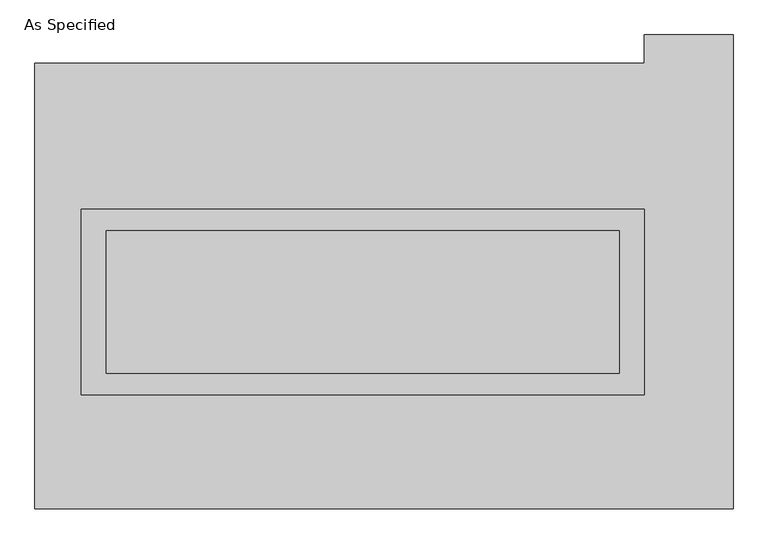
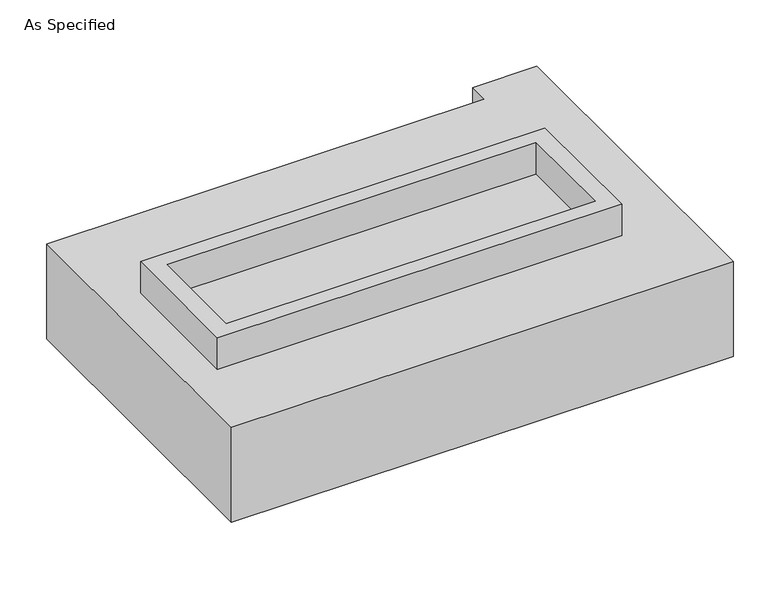
"""IFC4 building model written with IfcOpenShell, lengths in millimetres: proxy geometry, As Specified."""

import ifcopenshell
import ifcopenshell.guid

model = None  # the IFC model being written
_history = None  # IfcOwnerHistory: only IFC2X3 demands one
_inside = {}  # id of a spatial element -> (the spatial element, [elements in it])
_under = {}  # id of a project, library or spatial element -> (it, [spatial elements below it])
_declared = {}  # id of a project -> (the project, [libraries it declares])
_typed = {}  # id of a type object -> (the type object, [elements of that type])
_made_of = {}  # id of a material, layer set ... -> (it, [elements and type objects made of it])


def new_model(schema):
    """Start an empty IFC model of exactly this schema.

    Asked for "IFC4X3", IfcOpenShell would pick the latest addendum, in which some entities
    have other attributes; the version numbers below select the first issue.
    IFC2X3 requires an IfcOwnerHistory on every rooted entity: one is made here for all.
    """
    global model, _history
    if schema == "IFC4X3":
        model = ifcopenshell.file(schema_version=(4, 3, 0, 0))
    else:
        model = ifcopenshell.file(schema=schema)
    _inside.clear()
    _under.clear()
    _declared.clear()
    _typed.clear()
    _made_of.clear()
    _history = None
    if model.schema == "IFC2X3":
        org = make("IfcOrganization", Name="unknown")
        user = make(
            "IfcPersonAndOrganization",
            ThePerson=make("IfcPerson", FamilyName="unknown"),
            TheOrganization=org,
        )
        app = make(
            "IfcApplication",
            ApplicationDeveloper=org,
            Version="unknown",
            ApplicationFullName="unknown",
            ApplicationIdentifier="unknown",
        )
        _history = make(
            "IfcOwnerHistory",
            OwningUser=user,
            OwningApplication=app,
            ChangeAction="ADDED",
            CreationDate=0,
        )
    return model


def make(cls, **values):
    """One entity of the class cls with the attributes given. An attribute that is None is left unset."""
    return model.create_entity(
        cls, **{name: value for name, value in values.items() if value is not None}
    )


def rooted(cls, **values):
    """An entity with a GlobalId (a new one), such as an element, a storey or a relation."""
    return make(cls, GlobalId=ifcopenshell.guid.new(), OwnerHistory=_history, **values)


def si_unit(unit_type, name, prefix=None):
    """IfcSIUnit, for example si_unit("LENGTHUNIT", "METRE", prefix="MILLI")."""
    return make("IfcSIUnit", UnitType=unit_type, Prefix=prefix, Name=name)


def assignment(units):
    """IfcUnitAssignment: the units of a project."""
    return None if units is None else make("IfcUnitAssignment", Units=units)


def point(xyz):
    """IfcCartesianPoint."""
    return None if xyz is None else make("IfcCartesianPoint", Coordinates=xyz)


def direction(xyz):
    """IfcDirection."""
    return None if xyz is None else make("IfcDirection", DirectionRatios=xyz)


def frame(location, z_axis=None, x_axis=None):
    """IfcAxis2Placement3D, a coordinate frame: its origin and axes. An axis left out is left unset."""
    return make(
        "IfcAxis2Placement3D",
        Location=point(location),
        Axis=direction(z_axis),
        RefDirection=direction(x_axis),
    )


def origin():
    """The frame at (0, 0, 0) with its axes left unset."""
    return frame((0.0, 0.0, 0.0))


def place(relative_to, where):
    """IfcLocalPlacement: puts the frame where relative to a parent placement (None: the world)."""
    return make(
        "IfcLocalPlacement", PlacementRelTo=relative_to, RelativePlacement=where
    )


def context(
    kind, dimensions, precision=None, world=None, true_north=None, identifier=None
):
    """IfcGeometricRepresentationContext, for example the 3D "Model" context."""
    return make(
        "IfcGeometricRepresentationContext",
        ContextIdentifier=identifier,
        ContextType=kind,
        CoordinateSpaceDimension=dimensions,
        Precision=precision,
        WorldCoordinateSystem=world,
        TrueNorth=true_north,
    )


def project(units=None, contexts=None):
    """IfcProject with its units and contexts."""
    return rooted(
        "IfcProject",
        Name="project",
        RepresentationContexts=contexts,
        UnitsInContext=assignment(units),
    )


def spatial(cls, under=None, at=None, **own):
    """A site, building, storey or space (cls), placed at a placement, below another one or the project."""
    s = rooted(cls, ObjectPlacement=at, **own)
    if under is not None:
        _under.setdefault(under.id(), (under, []))[1].append(s)
    return s


def polyline(points):
    """IfcPolyline through the points."""
    return make("IfcPolyline", Points=[point(p) for p in points])


def outline(outer, holes=None, kind="AREA"):
    """IfcArbitraryClosedProfileDef: a profile drawn as a closed curve; with holes, ...WithVoids."""
    if holes is None:
        return make("IfcArbitraryClosedProfileDef", ProfileType=kind, OuterCurve=outer)
    return make(
        "IfcArbitraryProfileDefWithVoids",
        ProfileType=kind,
        OuterCurve=outer,
        InnerCurves=holes,
    )


def extrude(swept, where, along, depth):
    """IfcExtrudedAreaSolid: the profile swept, set in the frame where, extruded along a direction by depth."""
    return make(
        "IfcExtrudedAreaSolid",
        SweptArea=swept,
        Position=where,
        ExtrudedDirection=direction(along),
        Depth=depth,
    )


def shape(context_of_items, identifier, shape_type, items):
    """IfcShapeRepresentation: the items that make up one representation, for example the "Body"."""
    return make(
        "IfcShapeRepresentation",
        ContextOfItems=context_of_items,
        RepresentationIdentifier=identifier,
        RepresentationType=shape_type,
        Items=items,
    )


def source(mapping_origin, context_of_items, identifier, shape_type, items):
    """IfcRepresentationMap: a shape defined once, which mapped items show again and again."""
    return make(
        "IfcRepresentationMap",
        MappingOrigin=mapping_origin,
        MappedRepresentation=shape(context_of_items, identifier, shape_type, items),
    )


def transform(
    local_origin,
    x_axis=None,
    y_axis=None,
    z_axis=None,
    scale=None,
    scale2=None,
    scale3=None,
    uniform=True,
):
    """IfcCartesianTransformationOperator3D, or its non-uniform kind. x_axis, y_axis, z_axis: its Axis1, 2, 3."""
    if uniform:
        return make(
            "IfcCartesianTransformationOperator3D",
            Axis1=direction(x_axis),
            Axis2=direction(y_axis),
            LocalOrigin=point(local_origin),
            Scale=scale,
            Axis3=direction(z_axis),
        )
    return make(
        "IfcCartesianTransformationOperator3DnonUniform",
        Axis1=direction(x_axis),
        Axis2=direction(y_axis),
        LocalOrigin=point(local_origin),
        Scale=scale,
        Axis3=direction(z_axis),
        Scale2=scale2,
        Scale3=scale3,
    )


def mapped(mapping_source, mapping_target):
    """IfcMappedItem: shows the shape of a source again, moved by a transform."""
    return make(
        "IfcMappedItem", MappingSource=mapping_source, MappingTarget=mapping_target
    )


def made_of(thing, what):
    """Note that an element or type object is made of a material, layer set ...; save() writes the relation."""
    if what is not None:
        _made_of.setdefault(what.id(), (what, []))[1].append(thing)
    return thing


def element(
    cls,
    number,
    at=None,
    inside=None,
    cuts=None,
    type_object=None,
    material=None,
    context=None,
    identifier="Body",
    shape_type=None,
    held_by="IfcProductDefinitionShape",
    body=None,
    shapes=None,
    **own,
):
    """One element of the class cls, such as IfcWall. Its Tag is "e" and its number.

    at: its placement. inside: the storey or other place that contains it. cuts: it is an
    opening in that element (IfcRelVoidsElement). A single representation is given by context,
    identifier, shape_type and body (its items); several are given by shapes. held_by: the class
    of the entity that holds the representations. save() writes the other relations.
    """
    e = rooted(cls, Tag="e%d" % number, ObjectPlacement=at, **own)
    if body is not None:
        shapes = [shape(context, identifier, shape_type, body)]
    if shapes is not None:
        e.Representation = make(held_by, Representations=shapes)
    if inside is not None:
        _inside.setdefault(inside.id(), (inside, []))[1].append(e)
    if cuts is not None:
        rooted(
            "IfcRelVoidsElement", RelatingBuildingElement=cuts, RelatedOpeningElement=e
        )
    if type_object is not None:
        _typed.setdefault(type_object.id(), (type_object, []))[1].append(e)
    return made_of(e, material)


def aggregate(whole, parts):
    """IfcRelAggregates: a whole, such as a stair, and the parts it consists of."""
    return rooted("IfcRelAggregates", RelatingObject=whole, RelatedObjects=parts)


def save(model, path):
    """Write the relations noted so far, then the file.

    IfcRelAggregates (storeys below a building ...), IfcRelContainedInSpatialStructure (elements
    in a storey), IfcRelDefinesByType, IfcRelAssociatesMaterial and IfcRelDeclares: one each for
    every whole, place, type object, material and project.
    """
    for whole, parts in _under.values():
        aggregate(whole, parts)
    for where, things in _inside.values():
        rooted(
            "IfcRelContainedInSpatialStructure",
            RelatedElements=things,
            RelatingStructure=where,
        )
    for kind, things in _typed.values():
        rooted("IfcRelDefinesByType", RelatedObjects=things, RelatingType=kind)
    for what, things in _made_of.values():
        rooted("IfcRelAssociatesMaterial", RelatedObjects=things, RelatingMaterial=what)
    for by, libraries in _declared.values():
        rooted("IfcRelDeclares", RelatingContext=by, RelatedDefinitions=libraries)
    model.write(path)


def as_specified_e63893b0(model_context):
    return source(origin(), model_context, "Body", "SweptSolid", [
        extrude(outline(polyline([(1003.3, 273.05), (1003.3, -387.35), (-1003.3, -387.35), (-1003.3, 273.05), (1003.3, 273.05)]), holes=[polyline([(914.4, 196.85), (-914.4, 196.85), (-914.4, -311.15), (914.4, -311.15), (914.4, 196.85)])]), frame((0.0, 0.0, -688.975), z_axis=(0.0, 0.0, 1.0), x_axis=(1.0, 0.0, 0.0)), (0.0, 0.0, 1.0), 165.1),
        extrude(outline(polyline([(1003.3, 273.05), (1003.3, -387.35), (-1003.3, -387.35), (-1003.3, 273.05), (1003.3, 273.05)]), holes=[polyline([(914.4, 196.85), (-914.4, 196.85), (-914.4, -311.15), (914.4, -311.15), (914.4, 196.85)])]), frame((0.0, 0.0, -25.4), z_axis=(0.0, 0.0, 1.0), x_axis=(1.0, 0.0, 0.0)), (0.0, 0.0, 1.0), 165.1),
        extrude(outline(polyline([(914.4, 196.85), (914.4, -311.15), (-914.4, -311.15), (-914.4, 196.85), (914.4, 196.85)])), frame((0.0, 0.0, -523.875), z_axis=(0.0, 0.0, 1.0), x_axis=(1.0, 0.0, 0.0)), (0.0, 0.0, 1.0), 4.9609375),
        extrude(outline(polyline([(914.4, 196.85), (914.4, -311.15), (-914.4, -311.15), (-914.4, 196.85), (914.4, 196.85)])), frame((0.0, 0.0, -30.3609375), z_axis=(0.0, 0.0, 1.0), x_axis=(1.0, 0.0, 0.0)), (0.0, 0.0, 1.0), 4.9609375),
        extrude(outline(polyline([(1320.8, -793.75), (-1168.4, -793.75), (-1168.4, 793.75), (1003.3, 793.75), (1003.3, 895.35), (1320.8, 895.35), (1320.8, -793.75)]), holes=[polyline([(-1003.3, 273.05), (-1003.3, -387.35), (1003.3, -387.35), (1003.3, 273.05), (-1003.3, 273.05)])]), frame((0.0, 0.0, -523.875), z_axis=(0.0, 0.0, 1.0), x_axis=(1.0, 0.0, 0.0)), (0.0, 0.0, 1.0), 498.475),
    ])


if __name__ == "__main__":
    model = new_model("IFC4")
    model_context = context("Model", 3, world=origin())
    ifc_project = project(units=[si_unit("LENGTHUNIT", "METRE", prefix="MILLI")], contexts=[model_context])
    site = spatial("IfcSite", under=ifc_project)
    building = spatial("IfcBuilding", under=site)
    placement = place(None, origin())
    as_specified_shape = as_specified_e63893b0(model_context)
    element("IfcBuildingElementProxy", 1, Name="As Specified", ObjectType="As Specified", at=placement, inside=building, context=model_context, shape_type="MappedRepresentation", body=[
        mapped(as_specified_shape, transform((0.0, 0.0, 0.0), x_axis=(1.0, 0.0, 0.0), y_axis=(0.0, 1.0, 0.0), z_axis=(0.0, 0.0, 1.0))),
    ])
    save(model, "model.ifc")
